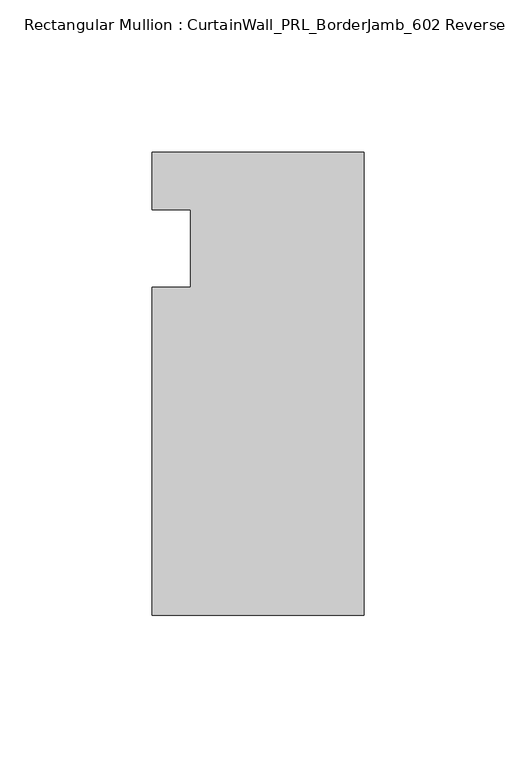
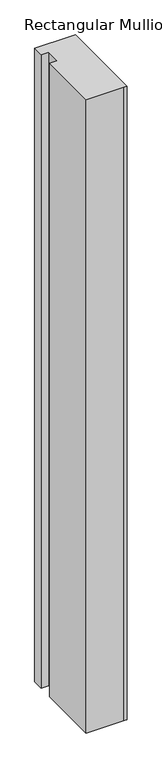
"""IFC4 building model written with IfcOpenShell, lengths in millimetres: member geometry, Rectangular Mullion : CurtainWall_PRL_BorderJamb_602 Reverse."""

import ifcopenshell
import ifcopenshell.guid

model = None  # the IFC model being written
_history = None  # IfcOwnerHistory: only IFC2X3 demands one
_inside = {}  # id of a spatial element -> (the spatial element, [elements in it])
_under = {}  # id of a project, library or spatial element -> (it, [spatial elements below it])
_declared = {}  # id of a project -> (the project, [libraries it declares])
_typed = {}  # id of a type object -> (the type object, [elements of that type])
_made_of = {}  # id of a material, layer set ... -> (it, [elements and type objects made of it])


def new_model(schema):
    """Start an empty IFC model of exactly this schema.

    Asked for "IFC4X3", IfcOpenShell would pick the latest addendum, in which some entities
    have other attributes; the version numbers below select the first issue.
    IFC2X3 requires an IfcOwnerHistory on every rooted entity: one is made here for all.
    """
    global model, _history
    if schema == "IFC4X3":
        model = ifcopenshell.file(schema_version=(4, 3, 0, 0))
    else:
        model = ifcopenshell.file(schema=schema)
    _inside.clear()
    _under.clear()
    _declared.clear()
    _typed.clear()
    _made_of.clear()
    _history = None
    if model.schema == "IFC2X3":
        org = make("IfcOrganization", Name="unknown")
        user = make(
            "IfcPersonAndOrganization",
            ThePerson=make("IfcPerson", FamilyName="unknown"),
            TheOrganization=org,
        )
        app = make(
            "IfcApplication",
            ApplicationDeveloper=org,
            Version="unknown",
            ApplicationFullName="unknown",
            ApplicationIdentifier="unknown",
        )
        _history = make(
            "IfcOwnerHistory",
            OwningUser=user,
            OwningApplication=app,
            ChangeAction="ADDED",
            CreationDate=0,
        )
    return model


def make(cls, **values):
    """One entity of the class cls with the attributes given. An attribute that is None is left unset."""
    return model.create_entity(
        cls, **{name: value for name, value in values.items() if value is not None}
    )


def rooted(cls, **values):
    """An entity with a GlobalId (a new one), such as an element, a storey or a relation."""
    return make(cls, GlobalId=ifcopenshell.guid.new(), OwnerHistory=_history, **values)


def si_unit(unit_type, name, prefix=None):
    """IfcSIUnit, for example si_unit("LENGTHUNIT", "METRE", prefix="MILLI")."""
    return make("IfcSIUnit", UnitType=unit_type, Prefix=prefix, Name=name)


def assignment(units):
    """IfcUnitAssignment: the units of a project."""
    return None if units is None else make("IfcUnitAssignment", Units=units)


def point(xyz):
    """IfcCartesianPoint."""
    return None if xyz is None else make("IfcCartesianPoint", Coordinates=xyz)


def direction(xyz):
    """IfcDirection."""
    return None if xyz is None else make("IfcDirection", DirectionRatios=xyz)


def frame(location, z_axis=None, x_axis=None):
    """IfcAxis2Placement3D, a coordinate frame: its origin and axes. An axis left out is left unset."""
    return make(
        "IfcAxis2Placement3D",
        Location=point(location),
        Axis=direction(z_axis),
        RefDirection=direction(x_axis),
    )


def origin():
    """The frame at (0, 0, 0) with its axes left unset."""
    return frame((0.0, 0.0, 0.0))


def place(relative_to, where):
    """IfcLocalPlacement: puts the frame where relative to a parent placement (None: the world)."""
    return make(
        "IfcLocalPlacement", PlacementRelTo=relative_to, RelativePlacement=where
    )


def context(
    kind, dimensions, precision=None, world=None, true_north=None, identifier=None
):
    """IfcGeometricRepresentationContext, for example the 3D "Model" context."""
    return make(
        "IfcGeometricRepresentationContext",
        ContextIdentifier=identifier,
        ContextType=kind,
        CoordinateSpaceDimension=dimensions,
        Precision=precision,
        WorldCoordinateSystem=world,
        TrueNorth=true_north,
    )


def project(units=None, contexts=None):
    """IfcProject with its units and contexts."""
    return rooted(
        "IfcProject",
        Name="project",
        RepresentationContexts=contexts,
        UnitsInContext=assignment(units),
    )


def spatial(cls, under=None, at=None, **own):
    """A site, building, storey or space (cls), placed at a placement, below another one or the project."""
    s = rooted(cls, ObjectPlacement=at, **own)
    if under is not None:
        _under.setdefault(under.id(), (under, []))[1].append(s)
    return s


def polyline(points):
    """IfcPolyline through the points."""
    return make("IfcPolyline", Points=[point(p) for p in points])


def outline(outer, holes=None, kind="AREA"):
    """IfcArbitraryClosedProfileDef: a profile drawn as a closed curve; with holes, ...WithVoids."""
    if holes is None:
        return make("IfcArbitraryClosedProfileDef", ProfileType=kind, OuterCurve=outer)
    return make(
        "IfcArbitraryProfileDefWithVoids",
        ProfileType=kind,
        OuterCurve=outer,
        InnerCurves=holes,
    )


def extrude(swept, where, along, depth):
    """IfcExtrudedAreaSolid: the profile swept, set in the frame where, extruded along a direction by depth."""
    return make(
        "IfcExtrudedAreaSolid",
        SweptArea=swept,
        Position=where,
        ExtrudedDirection=direction(along),
        Depth=depth,
    )


def shape(context_of_items, identifier, shape_type, items):
    """IfcShapeRepresentation: the items that make up one representation, for example the "Body"."""
    return make(
        "IfcShapeRepresentation",
        ContextOfItems=context_of_items,
        RepresentationIdentifier=identifier,
        RepresentationType=shape_type,
        Items=items,
    )


def source(mapping_origin, context_of_items, identifier, shape_type, items):
    """IfcRepresentationMap: a shape defined once, which mapped items show again and again."""
    return make(
        "IfcRepresentationMap",
        MappingOrigin=mapping_origin,
        MappedRepresentation=shape(context_of_items, identifier, shape_type, items),
    )


def transform(
    local_origin,
    x_axis=None,
    y_axis=None,
    z_axis=None,
    scale=None,
    scale2=None,
    scale3=None,
    uniform=True,
):
    """IfcCartesianTransformationOperator3D, or its non-uniform kind. x_axis, y_axis, z_axis: its Axis1, 2, 3."""
    if uniform:
        return make(
            "IfcCartesianTransformationOperator3D",
            Axis1=direction(x_axis),
            Axis2=direction(y_axis),
            LocalOrigin=point(local_origin),
            Scale=scale,
            Axis3=direction(z_axis),
        )
    return make(
        "IfcCartesianTransformationOperator3DnonUniform",
        Axis1=direction(x_axis),
        Axis2=direction(y_axis),
        LocalOrigin=point(local_origin),
        Scale=scale,
        Axis3=direction(z_axis),
        Scale2=scale2,
        Scale3=scale3,
    )


def mapped(mapping_source, mapping_target):
    """IfcMappedItem: shows the shape of a source again, moved by a transform."""
    return make(
        "IfcMappedItem", MappingSource=mapping_source, MappingTarget=mapping_target
    )


def made_of(thing, what):
    """Note that an element or type object is made of a material, layer set ...; save() writes the relation."""
    if what is not None:
        _made_of.setdefault(what.id(), (what, []))[1].append(thing)
    return thing


def element(
    cls,
    number,
    at=None,
    inside=None,
    cuts=None,
    type_object=None,
    material=None,
    context=None,
    identifier="Body",
    shape_type=None,
    held_by="IfcProductDefinitionShape",
    body=None,
    shapes=None,
    **own,
):
    """One element of the class cls, such as IfcWall. Its Tag is "e" and its number.

    at: its placement. inside: the storey or other place that contains it. cuts: it is an
    opening in that element (IfcRelVoidsElement). A single representation is given by context,
    identifier, shape_type and body (its items); several are given by shapes. held_by: the class
    of the entity that holds the representations. save() writes the other relations.
    """
    e = rooted(cls, Tag="e%d" % number, ObjectPlacement=at, **own)
    if body is not None:
        shapes = [shape(context, identifier, shape_type, body)]
    if shapes is not None:
        e.Representation = make(held_by, Representations=shapes)
    if inside is not None:
        _inside.setdefault(inside.id(), (inside, []))[1].append(e)
    if cuts is not None:
        rooted(
            "IfcRelVoidsElement", RelatingBuildingElement=cuts, RelatedOpeningElement=e
        )
    if type_object is not None:
        _typed.setdefault(type_object.id(), (type_object, []))[1].append(e)
    return made_of(e, material)


def aggregate(whole, parts):
    """IfcRelAggregates: a whole, such as a stair, and the parts it consists of."""
    return rooted("IfcRelAggregates", RelatingObject=whole, RelatedObjects=parts)


def save(model, path):
    """Write the relations noted so far, then the file.

    IfcRelAggregates (storeys below a building ...), IfcRelContainedInSpatialStructure (elements
    in a storey), IfcRelDefinesByType, IfcRelAssociatesMaterial and IfcRelDeclares: one each for
    every whole, place, type object, material and project.
    """
    for whole, parts in _under.values():
        aggregate(whole, parts)
    for where, things in _inside.values():
        rooted(
            "IfcRelContainedInSpatialStructure",
            RelatedElements=things,
            RelatingStructure=where,
        )
    for kind, things in _typed.values():
        rooted("IfcRelDefinesByType", RelatedObjects=things, RelatingType=kind)
    for what, things in _made_of.values():
        rooted("IfcRelAssociatesMaterial", RelatedObjects=things, RelatingMaterial=what)
    for by, libraries in _declared.values():
        rooted("IfcRelDeclares", RelatingContext=by, RelatedDefinitions=libraries)
    model.write(path)


def rectangular_mullion_curtainwall_prl_borderjamb_602_reverse_611600ba(model_context):
    return source(origin(), model_context, "Body", "SweptSolid", [
        extrude(outline(polyline([(-57.15, -12.7), (-57.15, 12.7), (-69.85, 12.7), (-69.85, 31.75), (-7.3958824, 31.75), (0.0, 31.75), (0.0, -120.65), (-6.35, -120.65), (-69.85, -120.65), (-69.85, -12.7), (-57.15, -12.7)])), frame((0.0, 0.0, -1145.0172405), z_axis=(0.0, 0.0, 1.0), x_axis=(1.0, 0.0, 0.0)), (0.0, 0.0, 1.0), 1145.0172405),
    ])


if __name__ == "__main__":
    model = new_model("IFC4")
    model_context = context("Model", 3, world=origin())
    ifc_project = project(units=[si_unit("LENGTHUNIT", "METRE", prefix="MILLI")], contexts=[model_context])
    site = spatial("IfcSite", under=ifc_project)
    building = spatial("IfcBuilding", under=site)
    placement = place(None, origin())
    rectangular_mullion_curtainwall_prl_borderjamb_602_reverse_shape = rectangular_mullion_curtainwall_prl_borderjamb_602_reverse_611600ba(model_context)
    element("IfcMember", 1, ObjectType="Rectangular Mullion : CurtainWall_PRL_BorderJamb_602 Reverse", at=placement, inside=building, context=model_context, shape_type="MappedRepresentation", body=[
        mapped(rectangular_mullion_curtainwall_prl_borderjamb_602_reverse_shape, transform((0.0, 0.0, 0.0), x_axis=(1.0, 0.0, 0.0), y_axis=(0.0, 1.0, 0.0), z_axis=(0.0, 0.0, 1.0))),
    ])
    save(model, "model.ifc")
